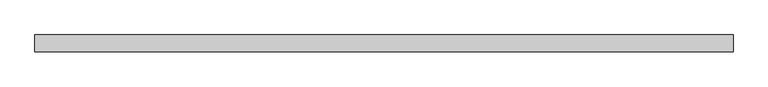
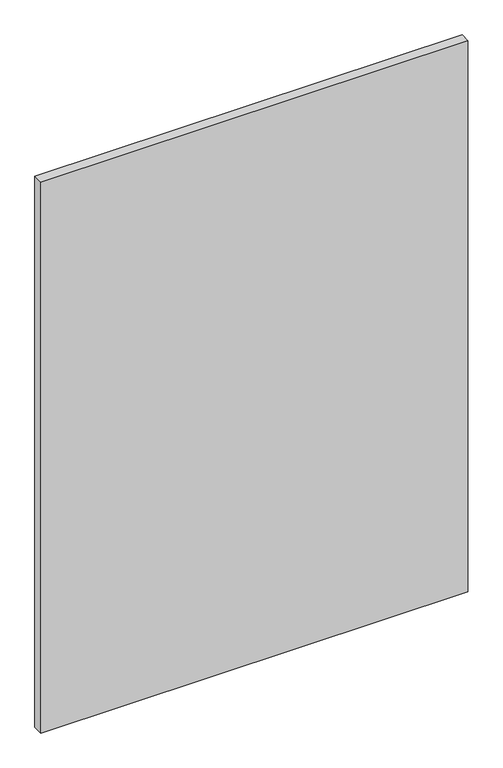
"""IFC4 building model written with IfcOpenShell, lengths in millimetres: plate geometry."""

import ifcopenshell
import ifcopenshell.guid

model = None  # the IFC model being written
_history = None  # IfcOwnerHistory: only IFC2X3 demands one
_inside = {}  # id of a spatial element -> (the spatial element, [elements in it])
_under = {}  # id of a project, library or spatial element -> (it, [spatial elements below it])
_declared = {}  # id of a project -> (the project, [libraries it declares])
_typed = {}  # id of a type object -> (the type object, [elements of that type])
_made_of = {}  # id of a material, layer set ... -> (it, [elements and type objects made of it])


def new_model(schema):
    """Start an empty IFC model of exactly this schema.

    Asked for "IFC4X3", IfcOpenShell would pick the latest addendum, in which some entities
    have other attributes; the version numbers below select the first issue.
    IFC2X3 requires an IfcOwnerHistory on every rooted entity: one is made here for all.
    """
    global model, _history
    if schema == "IFC4X3":
        model = ifcopenshell.file(schema_version=(4, 3, 0, 0))
    else:
        model = ifcopenshell.file(schema=schema)
    _inside.clear()
    _under.clear()
    _declared.clear()
    _typed.clear()
    _made_of.clear()
    _history = None
    if model.schema == "IFC2X3":
        org = make("IfcOrganization", Name="unknown")
        user = make(
            "IfcPersonAndOrganization",
            ThePerson=make("IfcPerson", FamilyName="unknown"),
            TheOrganization=org,
        )
        app = make(
            "IfcApplication",
            ApplicationDeveloper=org,
            Version="unknown",
            ApplicationFullName="unknown",
            ApplicationIdentifier="unknown",
        )
        _history = make(
            "IfcOwnerHistory",
            OwningUser=user,
            OwningApplication=app,
            ChangeAction="ADDED",
            CreationDate=0,
        )
    return model


def make(cls, **values):
    """One entity of the class cls with the attributes given. An attribute that is None is left unset."""
    return model.create_entity(
        cls, **{name: value for name, value in values.items() if value is not None}
    )


def rooted(cls, **values):
    """An entity with a GlobalId (a new one), such as an element, a storey or a relation."""
    return make(cls, GlobalId=ifcopenshell.guid.new(), OwnerHistory=_history, **values)


def si_unit(unit_type, name, prefix=None):
    """IfcSIUnit, for example si_unit("LENGTHUNIT", "METRE", prefix="MILLI")."""
    return make("IfcSIUnit", UnitType=unit_type, Prefix=prefix, Name=name)


def assignment(units):
    """IfcUnitAssignment: the units of a project."""
    return None if units is None else make("IfcUnitAssignment", Units=units)


def point(xyz):
    """IfcCartesianPoint."""
    return None if xyz is None else make("IfcCartesianPoint", Coordinates=xyz)


def direction(xyz):
    """IfcDirection."""
    return None if xyz is None else make("IfcDirection", DirectionRatios=xyz)


def frame(location, z_axis=None, x_axis=None):
    """IfcAxis2Placement3D, a coordinate frame: its origin and axes. An axis left out is left unset."""
    return make(
        "IfcAxis2Placement3D",
        Location=point(location),
        Axis=direction(z_axis),
        RefDirection=direction(x_axis),
    )


def origin():
    """The frame at (0, 0, 0) with its axes left unset."""
    return frame((0.0, 0.0, 0.0))


def origin_with_axes():
    """The frame at (0, 0, 0) with the z axis (0, 0, 1) and the x axis (1, 0, 0) written out."""
    return frame((0.0, 0.0, 0.0), z_axis=(0.0, 0.0, 1.0), x_axis=(1.0, 0.0, 0.0))


def place(relative_to, where):
    """IfcLocalPlacement: puts the frame where relative to a parent placement (None: the world)."""
    return make(
        "IfcLocalPlacement", PlacementRelTo=relative_to, RelativePlacement=where
    )


def context(
    kind, dimensions, precision=None, world=None, true_north=None, identifier=None
):
    """IfcGeometricRepresentationContext, for example the 3D "Model" context."""
    return make(
        "IfcGeometricRepresentationContext",
        ContextIdentifier=identifier,
        ContextType=kind,
        CoordinateSpaceDimension=dimensions,
        Precision=precision,
        WorldCoordinateSystem=world,
        TrueNorth=true_north,
    )


def project(units=None, contexts=None):
    """IfcProject with its units and contexts."""
    return rooted(
        "IfcProject",
        Name="project",
        RepresentationContexts=contexts,
        UnitsInContext=assignment(units),
    )


def spatial(cls, under=None, at=None, **own):
    """A site, building, storey or space (cls), placed at a placement, below another one or the project."""
    s = rooted(cls, ObjectPlacement=at, **own)
    if under is not None:
        _under.setdefault(under.id(), (under, []))[1].append(s)
    return s


def polyline(points):
    """IfcPolyline through the points."""
    return make("IfcPolyline", Points=[point(p) for p in points])


def outline(outer, holes=None, kind="AREA"):
    """IfcArbitraryClosedProfileDef: a profile drawn as a closed curve; with holes, ...WithVoids."""
    if holes is None:
        return make("IfcArbitraryClosedProfileDef", ProfileType=kind, OuterCurve=outer)
    return make(
        "IfcArbitraryProfileDefWithVoids",
        ProfileType=kind,
        OuterCurve=outer,
        InnerCurves=holes,
    )


def extrude(swept, where, along, depth):
    """IfcExtrudedAreaSolid: the profile swept, set in the frame where, extruded along a direction by depth."""
    return make(
        "IfcExtrudedAreaSolid",
        SweptArea=swept,
        Position=where,
        ExtrudedDirection=direction(along),
        Depth=depth,
    )


def shape(context_of_items, identifier, shape_type, items):
    """IfcShapeRepresentation: the items that make up one representation, for example the "Body"."""
    return make(
        "IfcShapeRepresentation",
        ContextOfItems=context_of_items,
        RepresentationIdentifier=identifier,
        RepresentationType=shape_type,
        Items=items,
    )


def source(mapping_origin, context_of_items, identifier, shape_type, items):
    """IfcRepresentationMap: a shape defined once, which mapped items show again and again."""
    return make(
        "IfcRepresentationMap",
        MappingOrigin=mapping_origin,
        MappedRepresentation=shape(context_of_items, identifier, shape_type, items),
    )


def transform(
    local_origin,
    x_axis=None,
    y_axis=None,
    z_axis=None,
    scale=None,
    scale2=None,
    scale3=None,
    uniform=True,
):
    """IfcCartesianTransformationOperator3D, or its non-uniform kind. x_axis, y_axis, z_axis: its Axis1, 2, 3."""
    if uniform:
        return make(
            "IfcCartesianTransformationOperator3D",
            Axis1=direction(x_axis),
            Axis2=direction(y_axis),
            LocalOrigin=point(local_origin),
            Scale=scale,
            Axis3=direction(z_axis),
        )
    return make(
        "IfcCartesianTransformationOperator3DnonUniform",
        Axis1=direction(x_axis),
        Axis2=direction(y_axis),
        LocalOrigin=point(local_origin),
        Scale=scale,
        Axis3=direction(z_axis),
        Scale2=scale2,
        Scale3=scale3,
    )


def mapped(mapping_source, mapping_target):
    """IfcMappedItem: shows the shape of a source again, moved by a transform."""
    return make(
        "IfcMappedItem", MappingSource=mapping_source, MappingTarget=mapping_target
    )


def made_of(thing, what):
    """Note that an element or type object is made of a material, layer set ...; save() writes the relation."""
    if what is not None:
        _made_of.setdefault(what.id(), (what, []))[1].append(thing)
    return thing


def element(
    cls,
    number,
    at=None,
    inside=None,
    cuts=None,
    type_object=None,
    material=None,
    context=None,
    identifier="Body",
    shape_type=None,
    held_by="IfcProductDefinitionShape",
    body=None,
    shapes=None,
    **own,
):
    """One element of the class cls, such as IfcWall. Its Tag is "e" and its number.

    at: its placement. inside: the storey or other place that contains it. cuts: it is an
    opening in that element (IfcRelVoidsElement). A single representation is given by context,
    identifier, shape_type and body (its items); several are given by shapes. held_by: the class
    of the entity that holds the representations. save() writes the other relations.
    """
    e = rooted(cls, Tag="e%d" % number, ObjectPlacement=at, **own)
    if body is not None:
        shapes = [shape(context, identifier, shape_type, body)]
    if shapes is not None:
        e.Representation = make(held_by, Representations=shapes)
    if inside is not None:
        _inside.setdefault(inside.id(), (inside, []))[1].append(e)
    if cuts is not None:
        rooted(
            "IfcRelVoidsElement", RelatingBuildingElement=cuts, RelatedOpeningElement=e
        )
    if type_object is not None:
        _typed.setdefault(type_object.id(), (type_object, []))[1].append(e)
    return made_of(e, material)


def aggregate(whole, parts):
    """IfcRelAggregates: a whole, such as a stair, and the parts it consists of."""
    return rooted("IfcRelAggregates", RelatingObject=whole, RelatedObjects=parts)


def save(model, path):
    """Write the relations noted so far, then the file.

    IfcRelAggregates (storeys below a building ...), IfcRelContainedInSpatialStructure (elements
    in a storey), IfcRelDefinesByType, IfcRelAssociatesMaterial and IfcRelDeclares: one each for
    every whole, place, type object, material and project.
    """
    for whole, parts in _under.values():
        aggregate(whole, parts)
    for where, things in _inside.values():
        rooted(
            "IfcRelContainedInSpatialStructure",
            RelatedElements=things,
            RelatingStructure=where,
        )
    for kind, things in _typed.values():
        rooted("IfcRelDefinesByType", RelatedObjects=things, RelatingType=kind)
    for what, things in _made_of.values():
        rooted("IfcRelAssociatesMaterial", RelatedObjects=things, RelatingMaterial=what)
    for by, libraries in _declared.values():
        rooted("IfcRelDeclares", RelatingContext=by, RelatedDefinitions=libraries)
    model.write(path)


def plate_899a4d28(model_context):
    return source(origin(), model_context, "Body", "SweptSolid", [
        extrude(outline(polyline([(522.5, -12.5), (-522.5, -12.5), (-522.5, 12.5), (522.5, 12.5), (522.5, -12.5)])), origin_with_axes(), (0.0, 0.0, 1.0), 1425.0),
    ])


if __name__ == "__main__":
    model = new_model("IFC4")
    model_context = context("Model", 3, world=origin())
    ifc_project = project(units=[si_unit("LENGTHUNIT", "METRE", prefix="MILLI")], contexts=[model_context])
    site = spatial("IfcSite", under=ifc_project)
    building = spatial("IfcBuilding", under=site)
    placement = place(None, origin())
    plate_shape = plate_899a4d28(model_context)
    element("IfcPlate", 1, at=placement, inside=building, context=model_context, shape_type="MappedRepresentation", body=[
        mapped(plate_shape, transform((0.0, 0.0, 0.0), x_axis=(1.0, 0.0, 0.0), y_axis=(0.0, 1.0, 0.0), z_axis=(0.0, 0.0, 1.0))),
    ])
    save(model, "model.ifc")
